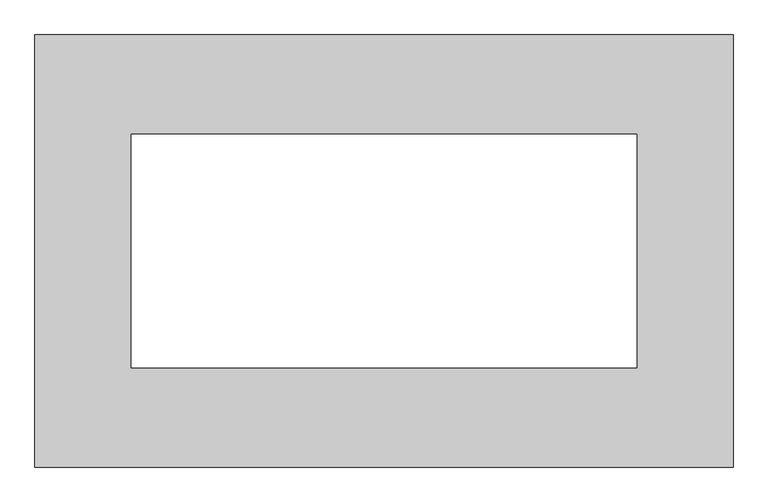
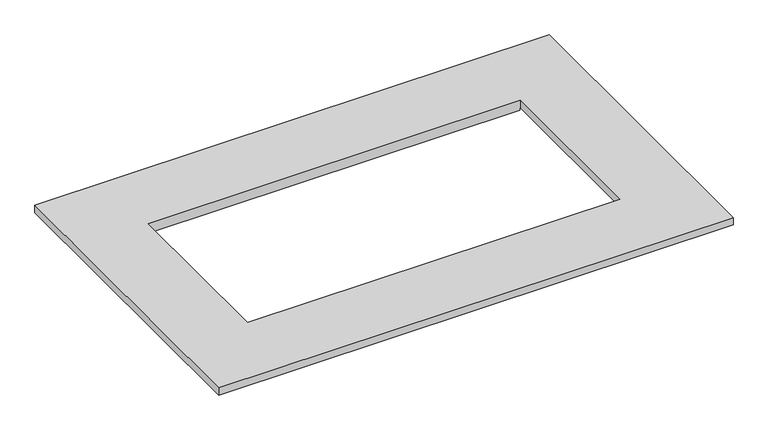
"""IFC4 building model written with IfcOpenShell, lengths in millimetres: proxy geometry."""

from ifc_helpers import new_model, si_unit, origin, place, context, project, spatial, faceted_brep, source, transform, mapped, element, save


def generic_models_b044af90(model_context):
    return source(origin(), model_context, "Body", "Brep", [
        faceted_brep([(-827.8114, 512.3942, 25.4), (-827.8114, -512.3942, 25.4), (827.8114, -512.3942, 25.4), (827.8114, 512.3942, 25.4), (599.2114, 277.3299, 25.4), (599.2114, -277.3299, 25.4), (-599.2114, -277.3299, 25.4), (-599.2114, 277.3299, 25.4), (-827.8114, 512.3942, 0.0), (827.8114, 512.3942, 0.0), (827.8114, -512.3942, 0.0), (-827.8114, -512.3942, 0.0), (-599.2114, 277.3299, 0.0), (-599.2114, -277.3299, 0.0), (-599.2114, -278.3459, 0.0), (596.6714, -278.3459, 0.0), (596.6714, -277.3299, 0.0), (599.2114, -277.3299, 0.0), (599.2114, 277.3299, 0.0), (596.6714, 277.3299, 0.0), (596.6714, 278.3459, 0.0), (-599.2114, 278.3459, 0.0), (596.6714, -277.3299, -7.7978), (-599.2114, -277.3299, -7.7978), (-599.2114, 277.3299, -7.7978), (596.6714, 277.3299, -7.7978), (596.6714, 290.9443, -7.7978), (596.6714, 290.9443, -6.7818), (596.6714, 278.3459, -6.7818), (-599.2114, 278.3459, -6.7818), (-599.2114, 290.9443, -6.7818), (-599.2114, 290.9443, -7.7978), (596.6714, -278.3459, -6.7818), (596.6714, -290.9443, -6.7818), (596.6714, -290.9443, -7.7978), (-599.2114, -290.9443, -7.7978), (-599.2114, -290.9443, -6.7818), (-599.2114, -278.3459, -6.7818)], [[[0, 1, 2, 3], [4, 5, 6, 7]], [[8, 9, 10, 11], [12, 13, 14, 15, 16, 17, 18, 19, 20, 21]], [[1, 0, 8, 11]], [[2, 1, 11, 10]], [[3, 2, 10, 9]], [[0, 3, 9, 8]], [[5, 4, 18, 17]], [[5, 17, 16, 22, 23, 13, 6]], [[7, 6, 13, 12]], [[18, 4, 7, 12, 24, 25, 19]], [[25, 26, 27, 28, 20, 19]], [[29, 30, 31, 24, 12, 21]], [[28, 29, 21, 20]], [[28, 27, 30, 29]], [[27, 26, 31, 30]], [[26, 25, 24, 31]], [[32, 33, 34, 22, 16, 15]], [[23, 35, 36, 37, 14, 13]], [[37, 32, 15, 14]], [[33, 32, 37, 36]], [[34, 33, 36, 35]], [[22, 34, 35, 23]]]),
    ])


if __name__ == "__main__":
    model = new_model("IFC4")
    model_context = context("Model", 3, world=origin())
    ifc_project = project(units=[si_unit("LENGTHUNIT", "METRE", prefix="MILLI")], contexts=[model_context])
    site = spatial("IfcSite", under=ifc_project)
    building = spatial("IfcBuilding", under=site)
    placement = place(None, origin())
    generic_models_shape = generic_models_b044af90(model_context)
    element("IfcBuildingElementProxy", 1, Name="Generic Models", at=placement, inside=building, context=model_context, shape_type="MappedRepresentation", body=[
        mapped(generic_models_shape, transform((0.0, 0.0, 0.0), x_axis=(1.0, 0.0, 0.0), y_axis=(0.0, 1.0, 0.0), z_axis=(0.0, 0.0, 1.0))),
    ])
    save(model, "model.ifc")
